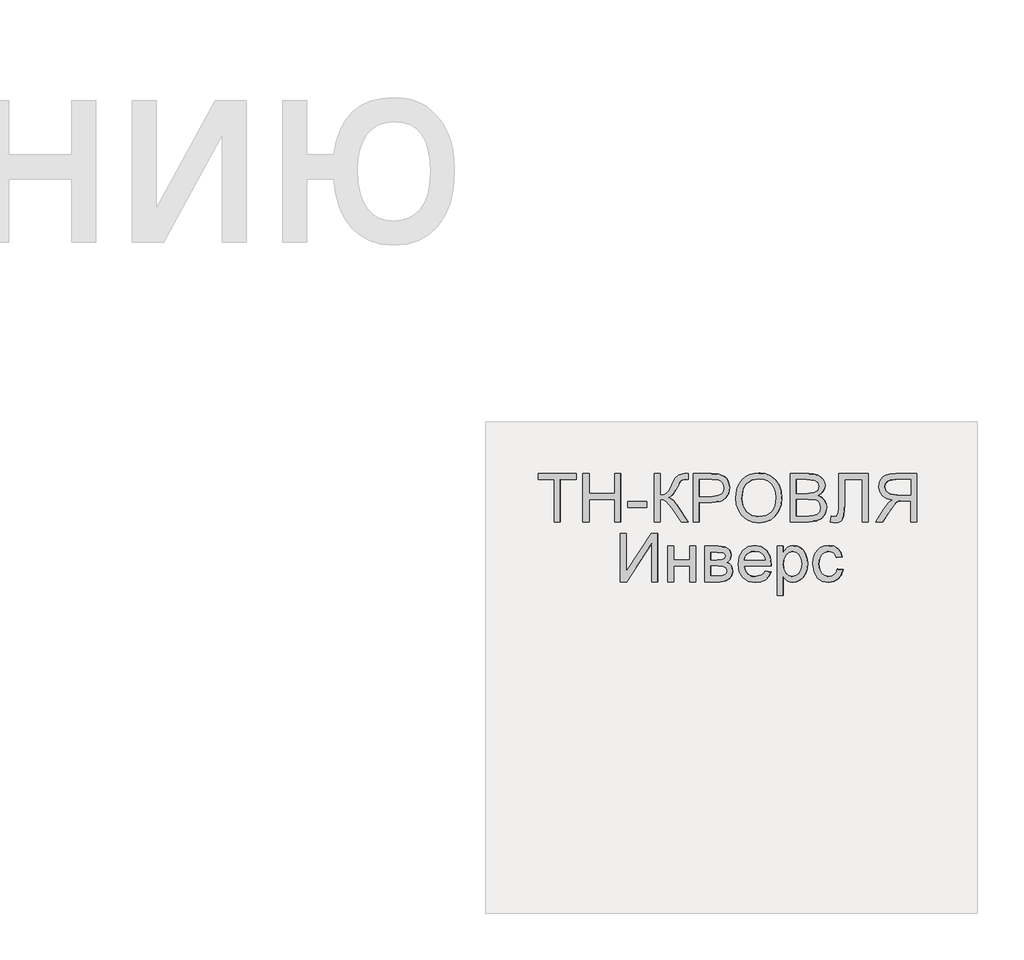
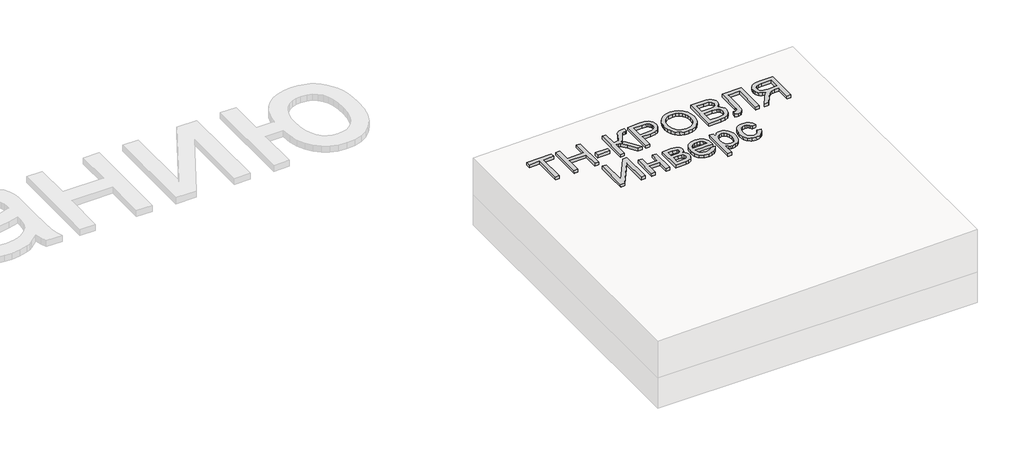
# One storey, part 3 of 3: 1 proxy.
"""IFC4 building model written with IfcOpenShell, lengths in millimetres."""

from ifc_helpers import new_model, si_unit, frame, origin, place, context, project, spatial, polyline, outline, extrude, element, save

model = new_model("IFC4")

# Units and contexts
model_context = context("Model", 3, world=origin())
ifc_project = project(units=[si_unit("LENGTHUNIT", "METRE", prefix="MILLI")], contexts=[model_context])

# Site, building, storey
site = spatial("IfcSite", under=ifc_project)
building = spatial("IfcBuilding", under=site)
storey = spatial("IfcBuildingStorey", under=building, Elevation=0.0)

# Proxy
placement = place(None, origin())
element("IfcBuildingElementProxy", 1, Name="Generic Models", at=placement, inside=storey, context=model_context, shape_type="SweptSolid", body=[
    extrude(outline(polyline([(24.6153846, 0.0), (24.6153846, -172.3076923), (89.2307692, -172.3076923), (89.2307692, -196.9230769), (-64.6153846, -196.9230769), (-64.6153846, -172.3076923), (0.0, -172.3076923), (0.0, 0.0), (24.6153846, 0.0)])), frame((19010.2014761, -4710.2316754, 247.0761176), z_axis=(-0.019996001199563986, 0.0, 0.9998000599800078), x_axis=(-0.9998000599800078, 0.0, -0.019996001199563986)), (0.0, 0.0, 1.0), 20.0),
    extrude(outline(polyline([(24.6153846, 0.0), (24.6153846, -196.9230769), (0.0, -196.9230769), (0.0, -116.9230769), (-104.6153846, -116.9230769), (-104.6153846, -196.9230769), (-129.2307692, -196.9230769), (-129.2307692, 0.0), (-104.6153846, 0.0), (-104.6153846, -92.3076923), (0.0, -92.3076923), (0.0, 0.0), (24.6153846, 0.0)])), frame((19127.1011754, -4710.2316754, 249.4141116), z_axis=(-0.019996001199563986, 0.0, 0.9998000599800078), x_axis=(-0.9998000599800078, 0.0, -0.019996001199563986)), (0.0, 0.0, 1.0), 20.0),
    extrude(outline(polyline([(76.923077, 0.0), (76.923077, -24.6153846), (0.0, -24.6153846), (0.0, 0.0), (76.923077, 0.0)])), frame((19360.9005741, -4651.7701369, 254.0900996), z_axis=(-0.01999600119956399, 0.0, 0.9998000599800078), x_axis=(-0.9998000599800078, 0.0, -0.01999600119956399)), (0.0, 0.0, 1.0), 20.0),
    extrude(outline(polyline([(196.9230769, 0.0), (196.9230769, -24.6153846), (110.7692308, -24.6153846), (112.3978365, -41.2800481), (117.2836538, -52.1394231), (128.7800481, -60.9194711), (150.2403846, -71.3461538), (177.7644231, -84.9278847), (191.3942308, -100.3125), (196.9230769, -122.3076923), (196.6346154, -138.4615385), (172.0192308, -138.4615385), (172.1634615, -133.0288462), (172.3076923, -127.5961539), (170.8293269, -116.3221154), (166.3942308, -108.3653847), (141.0576923, -93.75), (110.1923077, -76.3221154), (100.0, -59.3269231), (88.8701923, -78.329327), (65.6730769, -97.0673077), (0.0, -138.4615385), (0.0, -109.9038462), (55.4807692, -74.9038462), (84.4471154, -50.2644231), (90.3425481, -38.8882212), (92.3076923, -24.6153846), (0.0, -24.6153846), (0.0, 0.0), (196.9230769, 0.0)])), frame((19391.6636528, -4710.2316754, 254.7053612), z_axis=(-0.019996001199563986, 0.0, 0.9998000599800078), x_axis=(0.0, 1.0, 0.0)), (0.0, 0.0, 1.0), 20.0),
    extrude(outline(polyline([(24.6153846, 0.0), (24.6153846, -196.9230769), (-48.3653847, -196.9230769), (-77.7884615, -195.0480769), (-101.7067308, -185.8413461), (-110.4026443, -177.6802885), (-117.2115385, -166.8028846), (-123.0769231, -139.9519231), (-119.1165866, -116.7427885), (-107.235577, -97.4038461), (-97.7208534, -89.7896635), (-85.0180289, -84.3509615), (-50.0480769, -80.0), (0.0, -80.0), (0.0, 0.0), (24.6153846, 0.0)]), holes=[polyline([(0.0, -104.6153846), (-51.4903847, -104.6153846), (-73.3173078, -106.875), (-87.7403846, -113.6538461), (-95.78125, -124.53125), (-98.4615385, -139.0865385), (-96.8810097, -150.1442308), (-92.1394232, -159.4711538), (-84.8257212, -166.4903846), (-75.5288462, -170.625), (-50.9134615, -172.3076923), (0.0, -172.3076923), (0.0, -104.6153846)])]), frame((19576.2421254, -4710.2316754, 258.3969306), z_axis=(-0.01999600119956399, 0.0, 0.9998000599800078), x_axis=(-0.9998000599800078, 0.0, -0.01999600119956399)), (0.0, 0.0, 1.0), 20.0),
    extrude(outline(polyline([(25.3428445, 0.0), (48.1160484, -4.1938573), (67.8912361, -11.3545773), (84.6684074, -21.48216), (98.4475626, -34.5766053), (108.9049086, -49.9093782), (115.7166524, -66.7519434), (118.8827941, -85.1043011), (118.4033337, -104.9664512), (112.3116986, -130.2760814), (100.0658902, -152.2136344), (82.4868293, -169.6009171), (60.3954366, -181.2597367), (34.812491, -187.0380147), (6.7587717, -186.7836729), (-21.0136463, -180.6528553), (-44.9882084, -168.8870737), (-63.9421568, -152.1247694), (-76.6527338, -131.0043835), (-83.1347827, -107.1750808), (-83.4031474, -82.2860261), (-77.1659621, -56.5935493), (-64.600884, -34.5586152), (-46.7404789, -17.2511253), (-24.6173127, -5.740981), (0.0, 0.0), (25.3428445, 0.0)]), holes=[polyline([(22.3721769, -24.4366544), (-8.7890431, -25.9094148), (-33.7562618, -37.9787802), (-50.9832576, -58.3865327), (-58.9238091, -84.8744541), (-57.0179297, -112.8610054), (-44.5775814, -136.6179286), (-34.5460353, -146.3414541), (-22.1589798, -153.8699217), (9.6816594, -162.341683), (31.570013, -162.6815636), (50.9840871, -158.5364568), (67.4340475, -150.0149318), (80.43006, -137.2255581), (89.4380632, -121.0520254), (93.9239955, -102.3780231), (92.2935561, -75.5530127), (81.0850249, -51.6494365), (71.4163804, -41.5325654), (58.4080243, -33.6248113), (22.3721769, -24.4366544)])]), frame((19726.7168412, -4639.5525889, 261.4064249), z_axis=(-0.019996001199563993, 0.0, 0.9998000599800079), x_axis=(-0.11095588221386112, 0.9938228553011974, -0.002219117644273191)), (0.0, 0.0, 1.0), 20.0),
    extrude(outline(polyline([(74.5673077, 0.0), (74.5673077, -196.9230769), (-0.576923, -196.9230769), (-21.2439903, -195.4747596), (-37.3798076, -191.1298077), (-49.7475961, -183.7800481), (-59.1105769, -173.3173077), (-65.0060096, -161.0096154), (-66.9711538, -148.125), (-65.3185096, -136.2680288), (-60.3605769, -125.1201923), (-52.061298, -115.3665865), (-40.3846153, -107.6923077), (-54.3329326, -100.4086538), (-64.639423, -89.3269231), (-71.0036058, -75.1802885), (-73.125, -58.7019231), (-67.3317307, -32.2355769), (-52.9807692, -13.3894231), (-31.5625, -3.3894231), (0.0, 0.0), (74.5673077, 0.0)]), holes=[polyline([(49.9519231, -116.9230769), (5.0, -116.9230769), (-21.2499999, -119.0384615), (-37.0432692, -128.1490385), (-42.3557692, -144.1826923), (-37.4038461, -160.2403846), (-23.2211538, -169.7355769), (8.4134616, -172.3076923), (49.9519231, -172.3076923), (49.9519231, -116.9230769)]), polyline([(49.9519231, -24.6153846), (-0.5288461, -24.6153846), (-18.7980769, -25.5769231), (-34.2548076, -30.9375), (-44.4951923, -41.875), (-48.5096153, -58.4615385), (-43.7980769, -77.5961538), (-37.6262019, -84.5132211), (-28.5336538, -89.0144231), (1.875, -92.3076923), (49.9519231, -92.3076923), (49.9519231, -24.6153846)])]), frame((20019.9514694, -4710.2316754, 267.2711175), z_axis=(-0.019996001199563986, 0.0, 0.9998000599800078), x_axis=(-0.9998000599800078, 0.0, -0.019996001199563986)), (0.0, 0.0, 1.0), 20.0),
    extrude(outline(polyline([(137.6442308, 0.0), (137.6442308, -120.0), (-59.2788461, -120.0), (-59.2788461, -95.3846154), (113.0288462, -95.3846154), (113.0288462, -24.6153846), (12.548077, -24.6153846), (-32.2836538, -21.7548077), (-44.951923, -17.3257211), (-54.4471153, -9.7596153), (-60.3786057, 0.6009616), (-62.3557692, 13.4134616), (-59.2788461, 33.8461539), (-34.6634615, 30.7692308), (-37.7403846, 18.9903846), (-36.0877403, 10.6670674), (-31.1298076, 4.7355769), (-20.0420673, 1.1838942), (0.0, 0.0), (137.6442308, 0.0)])), frame((20142.2827748, -4650.9528293, 269.7177436), z_axis=(-0.019996001199563986, 0.0, 0.9998000599800078), x_axis=(0.0, 1.0, 0.0)), (0.0, 0.0, 1.0), 20.0),
    extrude(outline(polyline([(24.6153846, -110.7692308), (0.0, -110.7692308), (0.0, -24.6153847), (-29.7115385, -24.6153847), (-43.9903846, -25.4807693), (-55.6971154, -30.1682693), (-68.7019231, -42.9326923), (-87.2115385, -69.9519231), (-112.8365384, -110.7692308), (-141.4423077, -110.7692308), (-108.6057692, -57.4038462), (-88.6538462, -32.0673077), (-74.6634615, -21.5384616), (-98.9122596, -15.0120193), (-115.8894231, -3.2211539), (-125.8954327, 12.8605769), (-129.2307692, 32.2596153), (-127.2175481, 47.8545673), (-121.1778846, 62.0432692), (-111.766827, 73.4855769), (-99.6394231, 80.8413461), (-83.046875, 84.8257211), (-60.2403847, 86.1538461), (24.6153846, 86.1538461), (24.6153846, -110.7692308)]), holes=[polyline([(0.0, 0.0), (0.0, 61.5384615), (-61.2980769, 61.5384615), (-80.7752404, 59.4110577), (-94.2067308, 53.0288461), (-102.0132211, 43.3533653), (-104.6153846, 31.3461538), (-99.1586539, 14.639423), (-83.1971154, 3.4855769), (-55.0961538, 0.0), (0.0, 0.0)])]), frame((20434.5320231, -4599.4624446, 275.5627286), z_axis=(-0.01999600119956399, 0.0, 0.9998000599800078), x_axis=(0.9998000599800078, 0.0, 0.01999600119956399)), (0.0, 0.0, 1.0), 20.0),
    extrude(outline(polyline([(196.9230769, 0.0), (196.9230769, -24.6153846), (40.9615385, -24.6153846), (196.9230769, -127.6923077), (196.9230769, -153.8461538), (0.0, -153.8461538), (0.0, -129.2307692), (155.5288462, -129.2307692), (0.0, -26.3942308), (0.0, 0.0), (196.9230769, 0.0)])), frame((19253.2297984, -4953.3085985, 251.9366841), z_axis=(-0.019996001199563986, 0.0, 0.9998000599800078), x_axis=(0.0, 1.0, 0.0)), (0.0, 0.0, 1.0), 20.0),
    extrude(outline(polyline([(144.6153846, 0.0), (144.6153846, -24.6153846), (89.2307692, -24.6153846), (89.2307692, -89.2307692), (144.6153846, -89.2307692), (144.6153846, -113.8461539), (0.0, -113.8461539), (0.0, -89.2307692), (64.6153846, -89.2307692), (64.6153846, -24.6153846), (0.0, -24.6153846), (0.0, 0.0), (144.6153846, 0.0)])), frame((19447.0371946, -4953.3085985, 255.812832), z_axis=(-0.019996001199563986, 0.0, 0.9998000599800078), x_axis=(0.0, 1.0, 0.0)), (0.0, 0.0, 1.0), 20.0),
    extrude(outline(polyline([(144.6153846, 0.0), (144.6153846, -54.2307692), (141.3221154, -83.9663461), (129.2548077, -100.6971154), (119.609375, -105.9435095), (108.2211539, -107.6923077), (91.1298077, -103.4615384), (78.9423077, -90.7211538), (73.828125, -99.8317308), (65.6009616, -107.2596154), (54.9098558, -112.1995192), (42.4038462, -113.8461538), (23.6418269, -109.6754807), (10.4326923, -99.7596153), (2.6081731, -84.0625), (0.0, -62.5480769), (0.0, 0.0), (144.6153846, 0.0)]), holes=[polyline([(24.6153846, -24.6153846), (24.6153846, -54.8076923), (25.7271635, -71.2620192), (29.0625, -81.5865384), (35.1262019, -87.1274039), (44.4230769, -89.2307692), (56.2740385, -85.0240384), (63.1730769, -74.0625), (64.6153846, -52.4038461), (64.6153846, -24.6153846), (24.6153846, -24.6153846)]), polyline([(89.2307692, -24.6153846), (89.2307692, -48.9423076), (90.4807692, -69.014423), (95.4807692, -78.7740385), (104.5192308, -83.0769231), (111.8629808, -81.1899038), (116.5865385, -75.5288461), (120.0, -49.7115384), (120.0, -24.6153846), (89.2307692, -24.6153846)])]), frame((19597.7762806, -4953.3085985, 258.8276137), z_axis=(-0.019996001199563986, 0.0, 0.9998000599800078), x_axis=(0.0, 1.0, 0.0)), (0.0, 0.0, 1.0), 20.0),
    extrude(outline(polyline([(11.9224287, 0.0), (23.3787355, -21.4639267), (3.5155617, -24.89481), (-15.6006829, -21.4439824), (-33.3578567, -11.0602867), (-49.1438178, 6.3074342), (-61.8818963, 32.6831316), (-62.8170421, 59.2687892), (-51.916867, 84.377867), (-29.1489827, 106.3238249), (-0.0288865, 121.1343702), (27.9674233, 123.4461985), (52.9457848, 114.2880645), (73.0120364, 94.6887224), (84.3959089, 69.9827894), (84.4955819, 43.8580616), (72.9280669, 18.474447), (49.3103756, -4.0081467), (43.8159314, -7.7297065), (-20.1983856, 82.4925626), (-32.7600612, 68.3554763), (-38.0799991, 52.4447665), (-36.6070543, 35.9746352), (-28.7900825, 20.1592846), (-10.6288614, 3.4526148), (0.0, 0.0), (11.9224287, 0.0)]), holes=[polyline([(-0.1228525, 96.7365132), (49.7309746, 26.4721472), (58.4107366, 36.7128099), (62.2212823, 47.4187827), (60.9747524, 64.1306143), (52.8808629, 80.5231919), (41.4022309, 92.7236591), (27.8314967, 99.9175417), (13.5345169, 101.4675797), (-0.1228525, 96.7365132)])]), frame((19836.6948478, -4919.9552331, 263.6059851), z_axis=(-0.019996001199563983, 0.0, 0.9998000599800079), x_axis=(0.5785447954004908, 0.8155685342648347, 0.011570895907988897)), (0.0, 0.0, 1.0), 20.0),
    extrude(outline(polyline([(24.6153846, 0.0), (24.6153846, -200.0), (0.0, -200.0), (0.0, -175.8653846), (-17.0192307, -196.2740385), (-27.4999999, -201.376202), (-40.0, -203.0769231), (-56.6466346, -200.6971154), (-71.201923, -193.5576923), (-83.0528846, -182.0913462), (-91.5865384, -166.7307693), (-96.7427885, -148.59375), (-98.4615384, -128.798077), (-96.5204327, -107.7463943), (-90.6971154, -88.9182693), (-81.1778846, -73.2692308), (-68.1490384, -61.7548077), (-52.9747596, -54.6694712), (-37.0192307, -52.3076923), (-25.703125, -53.8882212), (-15.6009616, -58.6298077), (0.0, -74.6153846), (0.0, 0.0), (24.6153846, 0.0)]), holes=[polyline([(0.0, -126.5384616), (-2.6622596, -104.4711539), (-10.6490385, -89.0384616), (-22.4338942, -79.9519231), (-36.4903846, -76.923077), (-50.7752404, -80.0600962), (-62.8605768, -89.4711539), (-71.0997596, -105.46875), (-73.8461538, -128.3653846), (-71.1658653, -150.3125), (-63.125, -165.9615385), (-51.3581731, -175.3365385), (-37.4999999, -178.4615385), (-23.5877403, -175.1382212), (-11.3701923, -165.1682693), (-2.842548, -148.8641827), (0.0, -126.5384616)])]), frame((19917.7122998, -5008.6932139, 265.2263341), z_axis=(-0.019996001199563983, 0.0, 0.9998000599800078), x_axis=(-0.9998000599800078, 0.0, -0.019996001199563983)), (0.0, 0.0, 1.0), 20.0),
    extrude(outline(polyline([(14.2739448, 1e-07), (18.5774162, -24.4308155), (-4.3658123, -24.3147239), (-23.9730045, -16.8581343), (-39.1287659, -2.9877765), (-48.7177025, 16.3696197), (-51.7999354, 42.8176799), (-43.9550055, 66.6568587), (-25.3354265, 86.2178676), (3.9062883, 99.8314183), (25.3948449, 104.4802097), (45.1992054, 104.6740484), (62.6451939, 100.1110146), (77.0586344, 90.4891883), (88.0614871, 77.0566736), (95.2757118, 61.0615745), (98.5250521, 40.2990925), (94.8035116, 21.7539991), (84.4149332, 6.0732076), (67.6631596, -6.0963687), (57.4783633, 16.5234134), (66.4279038, 23.9512855), (71.7390475, 32.8620536), (73.5020103, 42.8810605), (71.8070078, 53.6336492), (64.2193556, 67.9417387), (51.7849492, 77.324077), (34.3582431, 80.5788394), (11.793692, 76.5042013), (-9.4649736, 67.1472583), (-22.146962, 54.8097826), (-27.1652793, 40.2921827), (-25.4329315, 24.394867), (-19.8783047, 12.7682799), (-11.392372, 4.4463754), (0.0, 0.0), (14.2739448, 1e-07)])), frame((20131.9302778, -4914.6427331, 269.5106937), z_axis=(-0.019996001199563986, 0.0, 0.9998000599800079), x_axis=(0.2942340972928647, 0.9557152643484613, 0.005884681945846667)), (0.0, 0.0, 1.0), 20.0),
])

save(model, "model.ifc")
